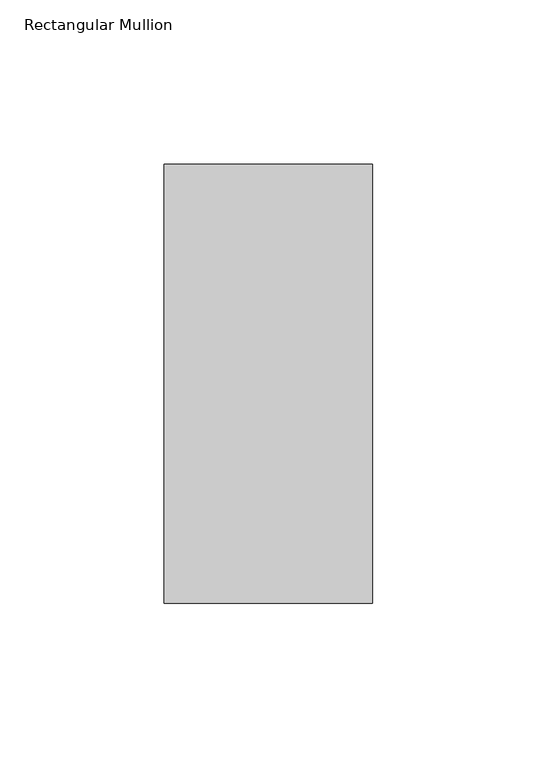
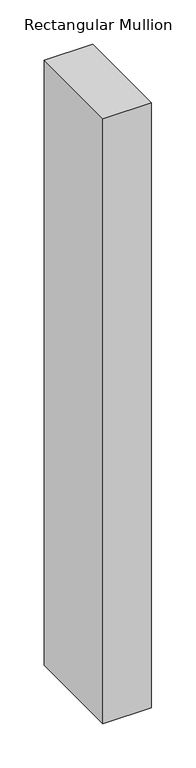
"""IFC4 building model written with IfcOpenShell, lengths in millimetres: member geometry, Rectangular Mullion."""

from ifc_helpers import new_model, si_unit, frame, origin, place, context, project, spatial, polyline, outline, extrude, source, transform, mapped, element, save


def rectangular_mullion_c9b97828(model_context):
    return source(origin(), model_context, "Body", "SweptSolid", [
        extrude(outline(polyline([(31.75, 191.284225), (31.75, 57.6460937), (-31.75, 57.6460937), (-31.75, 191.284225), (31.75, 191.284225)])), frame((0.0, 0.0, -838.2), z_axis=(0.0, 0.0, 1.0), x_axis=(1.0, 0.0, 0.0)), (0.0, 0.0, 1.0), 838.2),
    ])


if __name__ == "__main__":
    model = new_model("IFC4")
    model_context = context("Model", 3, world=origin())
    ifc_project = project(units=[si_unit("LENGTHUNIT", "METRE", prefix="MILLI")], contexts=[model_context])
    site = spatial("IfcSite", under=ifc_project)
    building = spatial("IfcBuilding", under=site)
    placement = place(None, origin())
    rectangular_mullion_shape = rectangular_mullion_c9b97828(model_context)
    element("IfcMember", 1, ObjectType="Rectangular Mullion", at=placement, inside=building, context=model_context, shape_type="MappedRepresentation", body=[
        mapped(rectangular_mullion_shape, transform((0.0, 0.0, 0.0), x_axis=(1.0, 0.0, 0.0), y_axis=(0.0, 1.0, 0.0), z_axis=(0.0, 0.0, 1.0))),
    ])
    save(model, "model.ifc")
